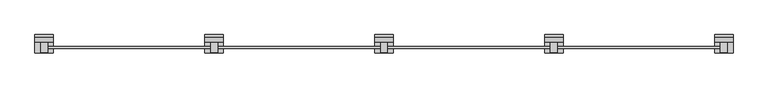
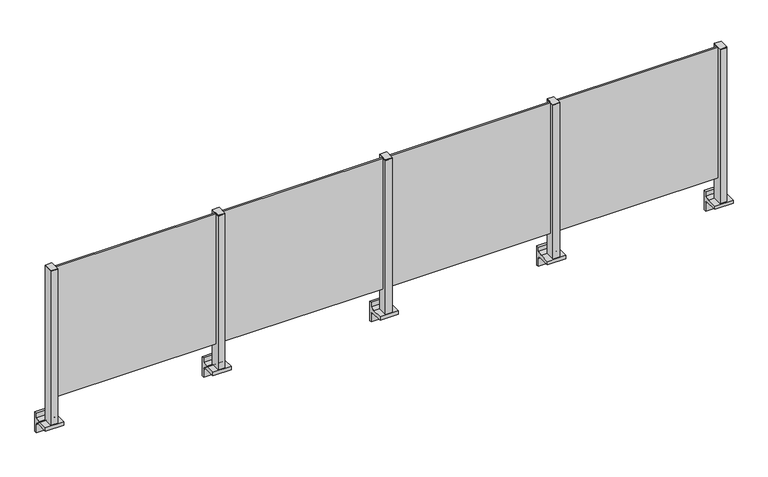
"""IFC4 building model written with IfcOpenShell, lengths in millimetres: railing geometry."""

from ifc_helpers import new_model, si_unit, point, frame, frame_2d, origin, place, context, project, spatial, polyline, circle_curve, trimmed, segment, composite_curve, outline, extrude, source, transform, mapped, element, save


def railing_9a6a198e(model_context):
    return source(origin(), model_context, "Body", "SweptSolid", [
        extrude(outline(polyline([(45310.0, -189.6905071), (45310.0, -176.4905071), (46390.0, -176.4905071), (46390.0, -189.6905071), (45310.0, -189.6905071)])), frame((0.0, 0.0, 95.0), z_axis=(0.0, 0.0, 1.0), x_axis=(1.0, 0.0, 0.0)), (0.0, 0.0, 1.0), 905.0),
        extrude(outline(composite_curve([segment(polyline([(-149.8153172, -70.0), (-115.8153172, -63.0), (-115.8153172, -32.5), (-99.8153172, -32.5), (-99.8153172, -167.5), (-115.8153172, -167.5), (-115.8153172, -113.5)]), True, "CONTINUOUS"), segment(trimmed(circle_curve(frame_2d((-135.8153172, -113.5)), 20.0), [point((-115.8153172, -113.5))], [point((-135.8153172, -93.5))], True, "CARTESIAN"), True, "CONTINUOUS"), segment(polyline([(-135.8153172, -93.5), (-219.8153172, -93.5), (-219.8153172, -70.0), (-149.8153172, -70.0)]), True, "CONTINUOUS")], self_intersect=False)), frame((45240.0, 0.0, 0.0), z_axis=(1.0, 0.0, 0.0), x_axis=(0.0, 1.0, 0.0)), (0.0, 0.0, 1.0), 120.0),
        extrude(outline(polyline([(45322.5, -149.8153172), (45322.5, -214.8153172), (45277.5, -214.8153172), (45277.5, -149.8153172), (45322.5, -149.8153172)])), frame((0.0, 0.0, -70.0), z_axis=(0.0, 0.0, 1.0), x_axis=(1.0, 0.0, 0.0)), (0.0, 0.0, 1.0), 1070.0),
        extrude(outline(polyline([(45322.5, -149.8153172), (45322.5, -214.8153172), (45277.5, -214.8153172), (45277.5, -149.8153172), (45322.5, -149.8153172)])), frame((0.0, 0.0, 1000.0), z_axis=(0.0, 0.0, 1.0), x_axis=(1.0, 0.0, 0.0)), (0.0, 0.0, 1.0), 5.0),
        extrude(outline(polyline([(44210.0, -189.6905071), (44210.0, -176.4905071), (45290.0, -176.4905071), (45290.0, -189.6905071), (44210.0, -189.6905071)])), frame((0.0, 0.0, 95.0), z_axis=(0.0, 0.0, 1.0), x_axis=(1.0, 0.0, 0.0)), (0.0, 0.0, 1.0), 905.0),
        extrude(outline(composite_curve([segment(polyline([(-149.8153172, -70.0), (-115.8153172, -63.0), (-115.8153172, -32.5), (-99.8153172, -32.5), (-99.8153172, -167.5), (-115.8153172, -167.5), (-115.8153172, -113.5)]), True, "CONTINUOUS"), segment(trimmed(circle_curve(frame_2d((-135.8153172, -113.5)), 20.0), [point((-115.8153172, -113.5))], [point((-135.8153172, -93.5))], True, "CARTESIAN"), True, "CONTINUOUS"), segment(polyline([(-135.8153172, -93.5), (-219.8153172, -93.5), (-219.8153172, -70.0), (-149.8153172, -70.0)]), True, "CONTINUOUS")], self_intersect=False)), frame((44140.0, 0.0, 0.0), z_axis=(1.0, 0.0, 0.0), x_axis=(0.0, 1.0, 0.0)), (0.0, 0.0, 1.0), 120.0),
        extrude(outline(polyline([(44222.5, -149.8153172), (44222.5, -214.8153172), (44177.5, -214.8153172), (44177.5, -149.8153172), (44222.5, -149.8153172)])), frame((0.0, 0.0, -70.0), z_axis=(0.0, 0.0, 1.0), x_axis=(1.0, 0.0, 0.0)), (0.0, 0.0, 1.0), 1070.0),
        extrude(outline(polyline([(44222.5, -149.8153172), (44222.5, -214.8153172), (44177.5, -214.8153172), (44177.5, -149.8153172), (44222.5, -149.8153172)])), frame((0.0, 0.0, 1000.0), z_axis=(0.0, 0.0, 1.0), x_axis=(1.0, 0.0, 0.0)), (0.0, 0.0, 1.0), 5.0),
        extrude(outline(polyline([(43110.0, -189.6905071), (43110.0, -176.4905071), (44190.0, -176.4905071), (44190.0, -189.6905071), (43110.0, -189.6905071)])), frame((0.0, 0.0, 95.0), z_axis=(0.0, 0.0, 1.0), x_axis=(1.0, 0.0, 0.0)), (0.0, 0.0, 1.0), 905.0),
        extrude(outline(composite_curve([segment(polyline([(-149.8153172, -70.0), (-115.8153172, -63.0), (-115.8153172, -32.5), (-99.8153172, -32.5), (-99.8153172, -167.5), (-115.8153172, -167.5), (-115.8153172, -113.5)]), True, "CONTINUOUS"), segment(trimmed(circle_curve(frame_2d((-135.8153172, -113.5)), 20.0), [point((-115.8153172, -113.5))], [point((-135.8153172, -93.5))], True, "CARTESIAN"), True, "CONTINUOUS"), segment(polyline([(-135.8153172, -93.5), (-219.8153172, -93.5), (-219.8153172, -70.0), (-149.8153172, -70.0)]), True, "CONTINUOUS")], self_intersect=False)), frame((43040.0, 0.0, 0.0), z_axis=(1.0, 0.0, 0.0), x_axis=(0.0, 1.0, 0.0)), (0.0, 0.0, 1.0), 120.0),
        extrude(outline(polyline([(43122.5, -149.8153172), (43122.5, -214.8153172), (43077.5, -214.8153172), (43077.5, -149.8153172), (43122.5, -149.8153172)])), frame((0.0, 0.0, -70.0), z_axis=(0.0, 0.0, 1.0), x_axis=(1.0, 0.0, 0.0)), (0.0, 0.0, 1.0), 1070.0),
        extrude(outline(polyline([(43122.5, -149.8153172), (43122.5, -214.8153172), (43077.5, -214.8153172), (43077.5, -149.8153172), (43122.5, -149.8153172)])), frame((0.0, 0.0, 1000.0), z_axis=(0.0, 0.0, 1.0), x_axis=(1.0, 0.0, 0.0)), (0.0, 0.0, 1.0), 5.0),
        extrude(outline(polyline([(42010.0, -189.6905071), (42010.0, -176.4905071), (43090.0, -176.4905071), (43090.0, -189.6905071), (42010.0, -189.6905071)])), frame((0.0, 0.0, 95.0), z_axis=(0.0, 0.0, 1.0), x_axis=(1.0, 0.0, 0.0)), (0.0, 0.0, 1.0), 905.0),
        extrude(outline(composite_curve([segment(polyline([(-149.8153172, -70.0), (-115.8153172, -63.0), (-115.8153172, -32.5), (-99.8153172, -32.5), (-99.8153172, -167.5), (-115.8153172, -167.5), (-115.8153172, -113.5)]), True, "CONTINUOUS"), segment(trimmed(circle_curve(frame_2d((-135.8153172, -113.5)), 20.0), [point((-115.8153172, -113.5))], [point((-135.8153172, -93.5))], True, "CARTESIAN"), True, "CONTINUOUS"), segment(polyline([(-135.8153172, -93.5), (-219.8153172, -93.5), (-219.8153172, -70.0), (-149.8153172, -70.0)]), True, "CONTINUOUS")], self_intersect=False)), frame((46340.0, 0.0, 0.0), z_axis=(1.0, 0.0, 0.0), x_axis=(0.0, 1.0, 0.0)), (0.0, 0.0, 1.0), 120.0),
        extrude(outline(polyline([(46422.5, -149.8153172), (46422.5, -214.8153172), (46377.5, -214.8153172), (46377.5, -149.8153172), (46422.5, -149.8153172)])), frame((0.0, 0.0, -70.0), z_axis=(0.0, 0.0, 1.0), x_axis=(1.0, 0.0, 0.0)), (0.0, 0.0, 1.0), 1070.0),
        extrude(outline(polyline([(46422.5, -149.8153172), (46422.5, -214.8153172), (46377.5, -214.8153172), (46377.5, -149.8153172), (46422.5, -149.8153172)])), frame((0.0, 0.0, 1000.0), z_axis=(0.0, 0.0, 1.0), x_axis=(1.0, 0.0, 0.0)), (0.0, 0.0, 1.0), 5.0),
        extrude(outline(composite_curve([segment(polyline([(-149.8153172, -70.0), (-115.8153172, -63.0), (-115.8153172, -32.5), (-99.8153172, -32.5), (-99.8153172, -167.5), (-115.8153172, -167.5), (-115.8153172, -113.5)]), True, "CONTINUOUS"), segment(trimmed(circle_curve(frame_2d((-135.8153172, -113.5)), 20.0), [point((-115.8153172, -113.5))], [point((-135.8153172, -93.5))], True, "CARTESIAN"), True, "CONTINUOUS"), segment(polyline([(-135.8153172, -93.5), (-219.8153172, -93.5), (-219.8153172, -70.0), (-149.8153172, -70.0)]), True, "CONTINUOUS")], self_intersect=False)), frame((41940.0, 0.0, 0.0), z_axis=(1.0, 0.0, 0.0), x_axis=(0.0, 1.0, 0.0)), (0.0, 0.0, 1.0), 120.0),
        extrude(outline(polyline([(42022.5, -149.8153172), (42022.5, -214.8153172), (41977.5, -214.8153172), (41977.5, -149.8153172), (42022.5, -149.8153172)])), frame((0.0, 0.0, -70.0), z_axis=(0.0, 0.0, 1.0), x_axis=(1.0, 0.0, 0.0)), (0.0, 0.0, 1.0), 1070.0),
        extrude(outline(polyline([(42022.5, -149.8153172), (42022.5, -214.8153172), (41977.5, -214.8153172), (41977.5, -149.8153172), (42022.5, -149.8153172)])), frame((0.0, 0.0, 1000.0), z_axis=(0.0, 0.0, 1.0), x_axis=(1.0, 0.0, 0.0)), (0.0, 0.0, 1.0), 5.0),
    ])


if __name__ == "__main__":
    model = new_model("IFC4")
    model_context = context("Model", 3, world=origin())
    ifc_project = project(units=[si_unit("LENGTHUNIT", "METRE", prefix="MILLI")], contexts=[model_context])
    site = spatial("IfcSite", under=ifc_project)
    building = spatial("IfcBuilding", under=site)
    placement = place(None, origin())
    railing_shape = railing_9a6a198e(model_context)
    element("IfcRailing", 1, at=placement, inside=building, context=model_context, shape_type="MappedRepresentation", body=[
        mapped(railing_shape, transform((0.0, 0.0, 0.0), x_axis=(1.0, 0.0, 0.0), y_axis=(0.0, 1.0, 0.0), z_axis=(0.0, 0.0, 1.0))),
    ])
    save(model, "model.ifc")
